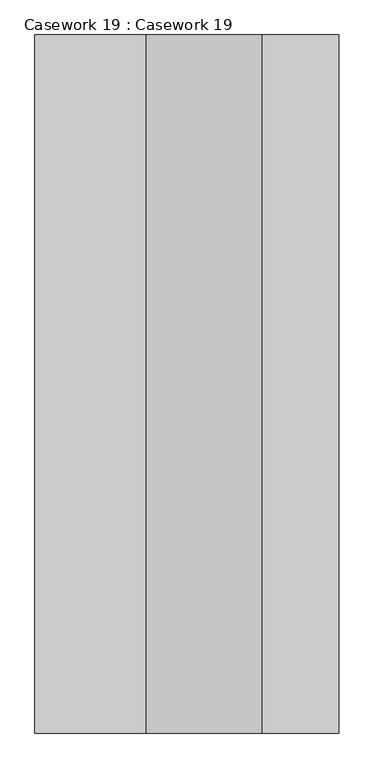
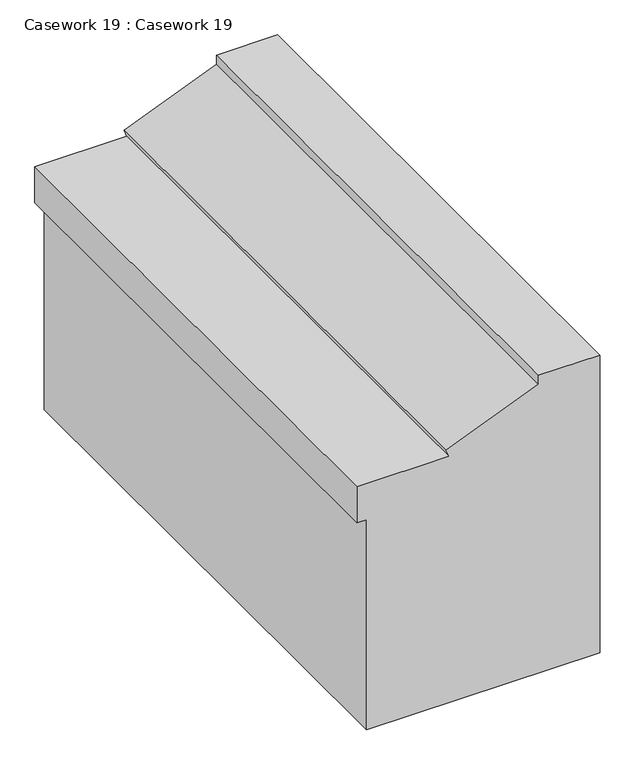
"""IFC4 building model written with IfcOpenShell, lengths in millimetres: furniture geometry, Casework 19 : Casework 19."""

from ifc_helpers import new_model, si_unit, frame, origin, place, context, project, spatial, polyline, outline, extrude, source, transform, mapped, element, save


def casework_19_casework_19_c3f17309(model_context):
    return source(origin(), model_context, "Body", "SweptSolid", [
        extrude(outline(polyline([(-5613.4, -21657.9015147), (-5645.15, -21657.9015147), (-5768.8450971, -21964.0576235), (-5792.395567, -21954.542616), (-5792.395567, -22259.342616), (-5919.395567, -22259.342616), (-5919.395567, -22227.592616), (-6654.8, -22227.592616), (-6654.8, -21454.7015147), (-5613.4, -21454.7015147), (-5613.4, -21657.9015147)])), frame((0.0, 1118.6688378, 0.0), z_axis=(0.0, 1.0, 0.0), x_axis=(0.0, 0.0, 1.0)), (0.0, 0.0, 1.0), 1847.8915683),
    ])


if __name__ == "__main__":
    model = new_model("IFC4")
    model_context = context("Model", 3, world=origin())
    ifc_project = project(units=[si_unit("LENGTHUNIT", "METRE", prefix="MILLI")], contexts=[model_context])
    site = spatial("IfcSite", under=ifc_project)
    building = spatial("IfcBuilding", under=site)
    placement = place(None, origin())
    casework_19_casework_19_shape = casework_19_casework_19_c3f17309(model_context)
    element("IfcFurniture", 1, ObjectType="Casework 19 : Casework 19", at=placement, inside=building, context=model_context, shape_type="MappedRepresentation", body=[
        mapped(casework_19_casework_19_shape, transform((0.0, 0.0, 0.0), x_axis=(1.0, 0.0, 0.0), y_axis=(0.0, 1.0, 0.0), z_axis=(0.0, 0.0, 1.0))),
    ])
    save(model, "model.ifc")
